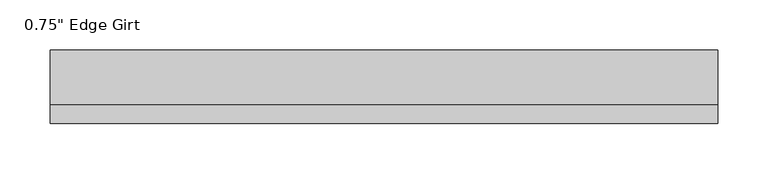
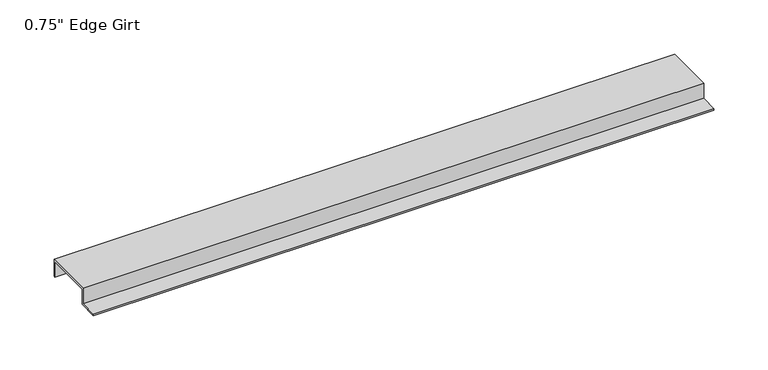
"""IFC4 building model written with IfcOpenShell, lengths in millimetres: proxy geometry."""

from ifc_helpers import new_model, si_unit, frame, origin, place, context, project, spatial, polyline, outline, extrude, source, transform, mapped, element, save


def proxy_3451695e(model_context):
    return source(origin(), model_context, "Body", "SweptSolid", [
        extrude(outline(polyline([(-46.0559645, -17.4375), (-46.0559645, -15.8242), (-27.0129, -15.8242), (-27.0129, 1.6129), (27.0129, 1.6129), (27.0129, -17.4375), (25.4, -17.4375), (25.4, 0.0), (-25.4, 0.0), (-25.4, -17.4375), (-46.0559645, -17.4375)])), frame((0.0, 0.0, 0.0), z_axis=(1.0, 0.0, 0.0), x_axis=(0.0, 1.0, 0.0)), (0.0, 0.0, 1.0), 663.2536),
    ])


if __name__ == "__main__":
    model = new_model("IFC4")
    model_context = context("Model", 3, world=origin())
    ifc_project = project(units=[si_unit("LENGTHUNIT", "METRE", prefix="MILLI")], contexts=[model_context])
    site = spatial("IfcSite", under=ifc_project)
    building = spatial("IfcBuilding", under=site)
    placement = place(None, origin())
    proxy_shape = proxy_3451695e(model_context)
    element("IfcBuildingElementProxy", 1, Name="0.75\" Edge Girt", ObjectType="0.75\" Edge Girt", at=placement, inside=building, context=model_context, shape_type="MappedRepresentation", body=[
        mapped(proxy_shape, transform((0.0, 0.0, 0.0), x_axis=(1.0, 0.0, 0.0), y_axis=(0.0, 1.0, 0.0), z_axis=(0.0, 0.0, 1.0))),
    ])
    save(model, "model.ifc")
